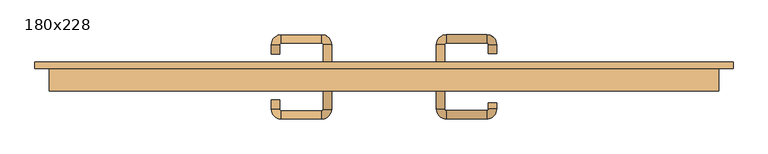
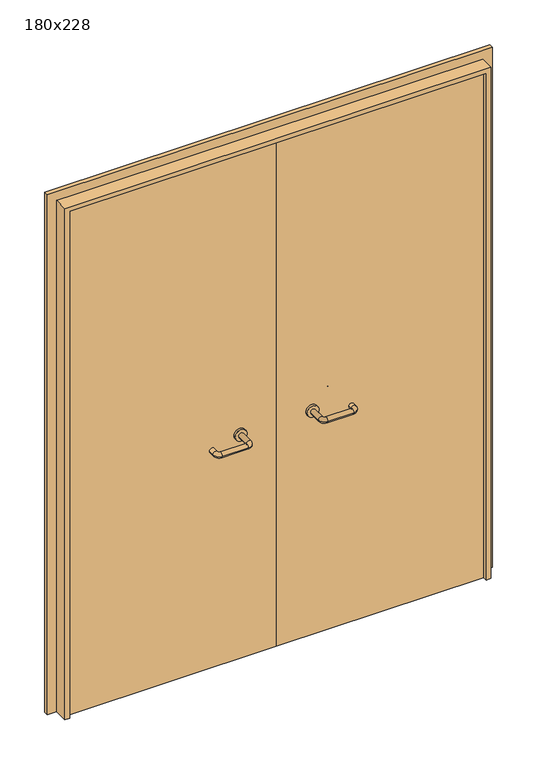
"""IFC4 building model written with IfcOpenShell, lengths in millimetres: door geometry, 180x228."""

from ifc_helpers import new_model, si_unit, point, frame, frame_2d, origin, place, context, project, spatial, polyline, circle_curve, ellipse_curve, trimmed, segment, composite_curve, outline, extrude, source, transform, mapped, element, save
from ifc_brep_helpers import plane_surface, cylinder_surface, revolved_surface, advanced_brep


def door_180x228_207c790b(model_context):
    return source(origin(), model_context, "Body", "SolidModel", [
        extrude(outline(polyline([(2319.0, 939.0), (2319.0, -939.0), (0.0, -939.0), (0.0, -895.0), (2275.0, -895.0), (2275.0, 895.0), (0.0, 895.0), (0.0, 939.0), (2319.0, 939.0)])), frame((0.0, 140.0, 0.0), z_axis=(0.0, 1.0, 0.0), x_axis=(0.0, 0.0, 1.0)), (0.0, 0.0, 1.0), 18.0),
        extrude(outline(polyline([(2280.0, -900.0), (0.0, -900.0), (0.0, -880.0), (2260.0, -880.0), (2260.0, 880.0), (0.0, 880.0), (0.0, 900.0), (2280.0, 900.0), (2280.0, -900.0)])), frame((0.0, 80.0, 0.0), z_axis=(0.0, 1.0, 0.0), x_axis=(0.0, 0.0, 1.0)), (0.0, 0.0, 1.0), 60.0),
        advanced_brep(
        [(140.99898, 86.0, 1003.0), (162.99898, 86.0, 1003.0), (140.99898, 30.6474631, 1003.0), (162.99898, 30.6474631, 1003.0), (166.99898, 26.6474631, 1003.0), (166.99898, 4.6474631, 1003.0), (276.99898, 4.6474631, 1003.0), (276.99898, 26.6474631, 1003.0), (280.99898, 30.6474631, 1003.0), (302.99898, 30.6474631, 1003.0), (302.99898, 48.0, 1003.0), (280.99898, 48.0, 1003.0)],
        [
            (0, 1, circle_curve(frame((151.99898, 86.0, 1003.0), z_axis=(0.0, 1.0, 0.0), x_axis=(1.0, 0.0, 0.0)), 11.0)),
            (1, 0, circle_curve(frame((151.99898, 86.0, 1003.0), z_axis=(0.0, 1.0, 0.0), x_axis=(1.0, 0.0, 0.0)), 11.0)),
            (0, 2),
            (2, 3, circle_curve(frame((151.99898, 30.6474631, 1003.0), z_axis=(0.0, 1.0, 0.0), x_axis=(1.0, 0.0, 0.0)), 11.0)),
            (3, 1),
            (3, 2, circle_curve(frame((151.99898, 30.6474631, 1003.0), z_axis=(0.0, 1.0, 0.0), x_axis=(1.0, 0.0, 0.0)), 11.0)),
            (4, 3, circle_curve(frame((166.99898, 30.6474631, 1003.0), z_axis=(0.0, 0.0, -1.0), x_axis=(-1.0, 0.0, 0.0)), 4.0)),
            (2, 5, circle_curve(frame((166.99898, 30.6474631, 1003.0), z_axis=(0.0, 0.0, 1.0), x_axis=(-1.0, 0.0, 0.0)), 26.0)),
            (5, 4, circle_curve(frame((166.99898, 15.6474631, 1003.0), z_axis=(-1.0, 0.0, 0.0), x_axis=(0.0, 1.0, 0.0)), 11.0)),
            (4, 5, circle_curve(frame((166.99898, 15.6474631, 1003.0), z_axis=(-1.0, 0.0, 0.0), x_axis=(0.0, 1.0, 0.0)), 11.0)),
            (5, 6),
            (6, 7, circle_curve(frame((276.99898, 15.6474631, 1003.0), z_axis=(-1.0, 0.0, 0.0), x_axis=(0.0, 1.0, 0.0)), 11.0)),
            (7, 4),
            (7, 6, circle_curve(frame((276.99898, 15.6474631, 1003.0), z_axis=(-1.0, 0.0, 0.0), x_axis=(0.0, 1.0, 0.0)), 11.0)),
            (8, 7, circle_curve(frame((276.99898, 30.6474631, 1003.0), z_axis=(0.0, 0.0, -1.0), x_axis=(0.0, -1.0, 0.0)), 4.0)),
            (6, 9, circle_curve(frame((276.99898, 30.6474631, 1003.0), z_axis=(0.0, 0.0, 1.0), x_axis=(0.0, -1.0, 0.0)), 26.0)),
            (9, 8, circle_curve(frame((291.99898, 30.6474631, 1003.0), z_axis=(0.0, -1.0, 0.0), x_axis=(-1.0, 0.0, 0.0)), 11.0)),
            (8, 9, circle_curve(frame((291.99898, 30.6474631, 1003.0), z_axis=(0.0, -1.0, 0.0), x_axis=(-1.0, 0.0, 0.0)), 11.0)),
            (10, 11, circle_curve(frame((291.99898, 48.0, 1003.0), z_axis=(0.0, 1.0, 0.0), x_axis=(-1.0, 0.0, 0.0)), 11.0)),
            (11, 10, circle_curve(frame((291.99898, 48.0, 1003.0), z_axis=(0.0, 1.0, 0.0), x_axis=(-1.0, 0.0, 0.0)), 11.0)),
            (9, 10),
            (11, 8),
        ],
        [
            plane_surface(frame((140.99898, 86.0, 1003.0), z_axis=(0.0, 1.0, 0.0), x_axis=(0.0, 0.0, -1.0))),
            cylinder_surface(frame((151.99898, 86.0, 1003.0), z_axis=(0.0, 1.0, 0.0), x_axis=(1.0, 0.0, 0.0)), 11.0),
            revolved_surface(trimmed(ellipse_curve(frame((151.99898, 30.6474631, 1003.0), z_axis=(0.0, 1.0, 0.0), x_axis=(1.0, 0.0, 0.0)), 11.0, 11.0), [point((140.99898, 30.6474631, 1003.0))], [point((162.99898, 30.6474631, 1003.0))], True, "CARTESIAN"), (166.99898, 30.6474631, 1003.0), (0.0, 0.0, 1.0)),
            revolved_surface(trimmed(ellipse_curve(frame((151.99898, 30.6474631, 1003.0), z_axis=(0.0, 1.0, 0.0), x_axis=(1.0, 0.0, 0.0)), 11.0, 11.0), [point((162.99898, 30.6474631, 1003.0))], [point((140.99898, 30.6474631, 1003.0))], True, "CARTESIAN"), (166.99898, 30.6474631, 1003.0), (0.0, 0.0, 1.0)),
            cylinder_surface(frame((166.99898, 15.6474631, 1003.0), z_axis=(-1.0, 0.0, 0.0), x_axis=(0.0, 1.0, 0.0)), 11.0),
            revolved_surface(trimmed(ellipse_curve(frame((276.99898, 15.6474631, 1003.0), z_axis=(-1.0, 0.0, 0.0), x_axis=(0.0, 1.0, 0.0)), 11.0, 11.0), [point((276.99898, 4.6474631, 1003.0))], [point((276.99898, 26.6474631, 1003.0))], True, "CARTESIAN"), (276.99898, 30.6474631, 1003.0), (0.0, 0.0, 1.0)),
            revolved_surface(trimmed(ellipse_curve(frame((276.99898, 15.6474631, 1003.0), z_axis=(-1.0, 0.0, 0.0), x_axis=(0.0, 1.0, 0.0)), 11.0, 11.0), [point((276.99898, 26.6474631, 1003.0))], [point((276.99898, 4.6474631, 1003.0))], True, "CARTESIAN"), (276.99898, 30.6474631, 1003.0), (0.0, 0.0, 1.0)),
            plane_surface(frame((280.99898, 48.0, 1003.0), z_axis=(0.0, 1.0, 0.0), x_axis=(0.0, 0.0, 1.0))),
            cylinder_surface(frame((291.99898, 30.6474631, 1003.0), z_axis=(0.0, -1.0, 0.0), x_axis=(-1.0, 0.0, 0.0)), 11.0),
        ],
        [
            (0, [[1, 2]]),
            (1, [[-1, 3, 4, 5]]),
            (1, [[-2, -5, 6, -3]]),
            (2, [[7, -4, 8, 9]]),
            (3, [[-8, -6, -7, 10]]),
            (4, [[-9, 11, 12, 13]]),
            (4, [[-10, -13, 14, -11]]),
            (5, [[15, -12, 16, 17]]),
            (6, [[-16, -14, -15, 18]]),
            (7, [[19, 20]]),
            (8, [[-17, 21, -20, 22]]),
            (8, [[-18, -22, -19, -21]]),
        ],
    ),
        extrude(outline(composite_curve([segment(trimmed(circle_curve(frame_2d((1003.0, 151.99898)), 25.0), [point((1003.0, 126.99898))], [point((1003.0, 176.99898))], False, "CARTESIAN"), True, "CONTINUOUS"), segment(trimmed(circle_curve(frame_2d((1003.0, 151.99898)), 25.0), [point((1003.0, 176.99898))], [point((1003.0, 126.99898))], False, "CARTESIAN"), True, "CONTINUOUS")], self_intersect=False)), frame((0.0, 86.0, 0.0), z_axis=(0.0, 1.0, 0.0), x_axis=(0.0, 0.0, 1.0)), (0.0, 0.0, 1.0), 10.0),
        advanced_brep(
        [(162.99898, 150.0, 1003.0), (140.99898, 150.0, 1003.0), (162.99898, 205.0, 1003.0), (140.99898, 205.0, 1003.0), (166.99898, 231.0, 1003.0), (166.99898, 209.0, 1003.0), (276.99898, 209.0, 1003.0), (276.99898, 231.0, 1003.0), (302.99898, 205.0, 1003.0), (280.99898, 205.0, 1003.0), (280.99898, 180.0, 1003.0), (302.99898, 180.0, 1003.0)],
        [
            (0, 1, circle_curve(frame((151.99898, 150.0, 1003.0), z_axis=(0.0, -1.0, 0.0), x_axis=(-1.0, 0.0, 0.0)), 11.0)),
            (1, 0, circle_curve(frame((151.99898, 150.0, 1003.0), z_axis=(0.0, -1.0, 0.0), x_axis=(-1.0, 0.0, 0.0)), 11.0)),
            (0, 2),
            (2, 3, circle_curve(frame((151.99898, 205.0, 1003.0), z_axis=(0.0, -1.0, 0.0), x_axis=(-1.0, 0.0, 0.0)), 11.0)),
            (3, 1),
            (3, 2, circle_curve(frame((151.99898, 205.0, 1003.0), z_axis=(0.0, -1.0, 0.0), x_axis=(-1.0, 0.0, 0.0)), 11.0)),
            (4, 3, circle_curve(frame((166.99898, 205.0, 1003.0), z_axis=(0.0, 0.0, 1.0), x_axis=(-1.0, 0.0, 0.0)), 26.0)),
            (2, 5, circle_curve(frame((166.99898, 205.0, 1003.0), z_axis=(0.0, 0.0, -1.0), x_axis=(-1.0, 0.0, 0.0)), 4.0)),
            (5, 4, circle_curve(frame((166.99898, 220.0, 1003.0), z_axis=(-1.0, 0.0, 0.0), x_axis=(0.0, 1.0, 0.0)), 11.0)),
            (4, 5, circle_curve(frame((166.99898, 220.0, 1003.0), z_axis=(-1.0, 0.0, 0.0), x_axis=(0.0, 1.0, 0.0)), 11.0)),
            (5, 6),
            (6, 7, circle_curve(frame((276.99898, 220.0, 1003.0), z_axis=(-1.0, 0.0, 0.0), x_axis=(0.0, 1.0, 0.0)), 11.0)),
            (7, 4),
            (7, 6, circle_curve(frame((276.99898, 220.0, 1003.0), z_axis=(-1.0, 0.0, 0.0), x_axis=(0.0, 1.0, 0.0)), 11.0)),
            (8, 7, circle_curve(frame((276.99898, 205.0, 1003.0), z_axis=(0.0, 0.0, 1.0), x_axis=(0.0, 1.0, 0.0)), 26.0)),
            (6, 9, circle_curve(frame((276.99898, 205.0, 1003.0), z_axis=(0.0, 0.0, -1.0), x_axis=(0.0, 1.0, 0.0)), 4.0)),
            (9, 8, circle_curve(frame((291.99898, 205.0, 1003.0), z_axis=(0.0, 1.0, 0.0), x_axis=(1.0, 0.0, 0.0)), 11.0)),
            (8, 9, circle_curve(frame((291.99898, 205.0, 1003.0), z_axis=(0.0, 1.0, 0.0), x_axis=(1.0, 0.0, 0.0)), 11.0)),
            (10, 11, circle_curve(frame((291.99898, 180.0, 1003.0), z_axis=(0.0, -1.0, 0.0), x_axis=(1.0, 0.0, 0.0)), 11.0)),
            (11, 10, circle_curve(frame((291.99898, 180.0, 1003.0), z_axis=(0.0, -1.0, 0.0), x_axis=(1.0, 0.0, 0.0)), 11.0)),
            (9, 10),
            (11, 8),
        ],
        [
            plane_surface(frame((140.99898, 150.0, 1003.0), z_axis=(0.0, -1.0, 0.0), x_axis=(0.0, 0.0, 1.0))),
            cylinder_surface(frame((151.99898, 150.0, 1003.0), z_axis=(0.0, -1.0, 0.0), x_axis=(-1.0, 0.0, 0.0)), 11.0),
            revolved_surface(trimmed(ellipse_curve(frame((151.99898, 205.0, 1003.0), z_axis=(0.0, -1.0, 0.0), x_axis=(-1.0, 0.0, 0.0)), 11.0, 11.0), [point((162.99898, 205.0, 1003.0))], [point((140.99898, 205.0, 1003.0))], True, "CARTESIAN"), (166.99898, 205.0, 1003.0), (0.0, 0.0, -1.0)),
            revolved_surface(trimmed(ellipse_curve(frame((151.99898, 205.0, 1003.0), z_axis=(0.0, -1.0, 0.0), x_axis=(-1.0, 0.0, 0.0)), 11.0, 11.0), [point((140.99898, 205.0, 1003.0))], [point((162.99898, 205.0, 1003.0))], True, "CARTESIAN"), (166.99898, 205.0, 1003.0), (0.0, 0.0, -1.0)),
            cylinder_surface(frame((166.99898, 220.0, 1003.0), z_axis=(-1.0, 0.0, 0.0), x_axis=(0.0, 1.0, 0.0)), 11.0),
            revolved_surface(trimmed(ellipse_curve(frame((276.99898, 220.0, 1003.0), z_axis=(-1.0, 0.0, 0.0), x_axis=(0.0, 1.0, 0.0)), 11.0, 11.0), [point((276.99898, 209.0, 1003.0))], [point((276.99898, 231.0, 1003.0))], True, "CARTESIAN"), (276.99898, 205.0, 1003.0), (0.0, 0.0, -1.0)),
            revolved_surface(trimmed(ellipse_curve(frame((276.99898, 220.0, 1003.0), z_axis=(-1.0, 0.0, 0.0), x_axis=(0.0, 1.0, 0.0)), 11.0, 11.0), [point((276.99898, 231.0, 1003.0))], [point((276.99898, 209.0, 1003.0))], True, "CARTESIAN"), (276.99898, 205.0, 1003.0), (0.0, 0.0, -1.0)),
            plane_surface(frame((280.99898, 180.0, 1003.0), z_axis=(0.0, -1.0, 0.0), x_axis=(0.0, 0.0, -1.0))),
            cylinder_surface(frame((291.99898, 205.0, 1003.0), z_axis=(0.0, 1.0, 0.0), x_axis=(1.0, 0.0, 0.0)), 11.0),
        ],
        [
            (0, [[1, 2]]),
            (1, [[-1, 3, 4, 5]]),
            (1, [[-2, -5, 6, -3]]),
            (2, [[7, -4, 8, 9]]),
            (3, [[-8, -6, -7, 10]]),
            (4, [[-9, 11, 12, 13]]),
            (4, [[-10, -13, 14, -11]]),
            (5, [[15, -12, 16, 17]]),
            (6, [[-16, -14, -15, 18]]),
            (7, [[19, 20]]),
            (8, [[-17, 21, -20, 22]]),
            (8, [[-18, -22, -19, -21]]),
        ],
    ),
        extrude(outline(composite_curve([segment(trimmed(circle_curve(frame_2d((1003.0, 151.99898)), 25.0), [point((1003.0, 176.99898))], [point((1003.0, 126.99898))], False, "CARTESIAN"), True, "CONTINUOUS"), segment(trimmed(circle_curve(frame_2d((1003.0, 151.99898)), 25.0), [point((1003.0, 126.99898))], [point((1003.0, 176.99898))], False, "CARTESIAN"), True, "CONTINUOUS")], self_intersect=False)), frame((0.0, 140.0, 0.0), z_axis=(0.0, 1.0, 0.0), x_axis=(0.0, 0.0, 1.0)), (0.0, 0.0, 1.0), 10.0),
        advanced_brep(
        [(-162.99898, 85.6886121, 1003.0), (-140.99898, 85.6886121, 1003.0), (-162.99898, 30.2779553, 1003.0), (-140.99898, 30.2779553, 1003.0), (-166.99898, 4.2779553, 1003.0), (-166.99898, 26.2779553, 1003.0), (-276.99898, 26.2779553, 1003.0), (-276.99898, 4.2779553, 1003.0), (-302.99898, 30.2779553, 1003.0), (-280.99898, 30.2779553, 1003.0), (-280.99898, 55.2779553, 1003.0), (-302.99898, 55.2779553, 1003.0)],
        [
            (0, 1, circle_curve(frame((-151.99898, 85.6886121, 1003.0), z_axis=(0.0, 1.0, 0.0), x_axis=(1.0, 0.0, 0.0)), 11.0)),
            (1, 0, circle_curve(frame((-151.99898, 85.6886121, 1003.0), z_axis=(0.0, 1.0, 0.0), x_axis=(1.0, 0.0, 0.0)), 11.0)),
            (0, 2),
            (2, 3, circle_curve(frame((-151.99898, 30.2779553, 1003.0), z_axis=(0.0, 1.0, 0.0), x_axis=(1.0, 0.0, 0.0)), 11.0)),
            (3, 1),
            (3, 2, circle_curve(frame((-151.99898, 30.2779553, 1003.0), z_axis=(0.0, 1.0, 0.0), x_axis=(1.0, 0.0, 0.0)), 11.0)),
            (4, 3, circle_curve(frame((-166.99898, 30.2779553, 1003.0), z_axis=(0.0, 0.0, 1.0), x_axis=(1.0, 0.0, 0.0)), 26.0)),
            (2, 5, circle_curve(frame((-166.99898, 30.2779553, 1003.0), z_axis=(0.0, 0.0, -1.0), x_axis=(1.0, 0.0, 0.0)), 4.0)),
            (5, 4, circle_curve(frame((-166.99898, 15.2779553, 1003.0), z_axis=(1.0, 0.0, 0.0), x_axis=(0.0, -1.0, 0.0)), 11.0)),
            (4, 5, circle_curve(frame((-166.99898, 15.2779553, 1003.0), z_axis=(1.0, 0.0, 0.0), x_axis=(0.0, -1.0, 0.0)), 11.0)),
            (5, 6),
            (6, 7, circle_curve(frame((-276.99898, 15.2779553, 1003.0), z_axis=(1.0, 0.0, 0.0), x_axis=(0.0, -1.0, 0.0)), 11.0)),
            (7, 4),
            (7, 6, circle_curve(frame((-276.99898, 15.2779553, 1003.0), z_axis=(1.0, 0.0, 0.0), x_axis=(0.0, -1.0, 0.0)), 11.0)),
            (8, 7, circle_curve(frame((-276.99898, 30.2779553, 1003.0), z_axis=(0.0, 0.0, 1.0), x_axis=(0.0, -1.0, 0.0)), 26.0)),
            (6, 9, circle_curve(frame((-276.99898, 30.2779553, 1003.0), z_axis=(0.0, 0.0, -1.0), x_axis=(0.0, -1.0, 0.0)), 4.0)),
            (9, 8, circle_curve(frame((-291.99898, 30.2779553, 1003.0), z_axis=(0.0, -1.0, 0.0), x_axis=(-1.0, 0.0, 0.0)), 11.0)),
            (8, 9, circle_curve(frame((-291.99898, 30.2779553, 1003.0), z_axis=(0.0, -1.0, 0.0), x_axis=(-1.0, 0.0, 0.0)), 11.0)),
            (10, 11, circle_curve(frame((-291.99898, 55.2779553, 1003.0), z_axis=(0.0, 1.0, 0.0), x_axis=(-1.0, 0.0, 0.0)), 11.0)),
            (11, 10, circle_curve(frame((-291.99898, 55.2779553, 1003.0), z_axis=(0.0, 1.0, 0.0), x_axis=(-1.0, 0.0, 0.0)), 11.0)),
            (9, 10),
            (11, 8),
        ],
        [
            plane_surface(frame((-162.99898, 85.6886121, 1003.0), z_axis=(0.0, 1.0, 0.0), x_axis=(0.0, 0.0, -1.0))),
            cylinder_surface(frame((-151.99898, 85.6886121, 1003.0), z_axis=(0.0, 1.0, 0.0), x_axis=(1.0, 0.0, 0.0)), 11.0),
            revolved_surface(trimmed(ellipse_curve(frame((-151.99898, 30.2779553, 1003.0), z_axis=(0.0, 1.0, 0.0), x_axis=(1.0, 0.0, 0.0)), 11.0, 11.0), [point((-162.99898, 30.2779553, 1003.0))], [point((-140.99898, 30.2779553, 1003.0))], True, "CARTESIAN"), (-166.99898, 30.2779553, 1003.0), (0.0, 0.0, -1.0)),
            revolved_surface(trimmed(ellipse_curve(frame((-151.99898, 30.2779553, 1003.0), z_axis=(0.0, 1.0, 0.0), x_axis=(1.0, 0.0, 0.0)), 11.0, 11.0), [point((-140.99898, 30.2779553, 1003.0))], [point((-162.99898, 30.2779553, 1003.0))], True, "CARTESIAN"), (-166.99898, 30.2779553, 1003.0), (0.0, 0.0, -1.0)),
            cylinder_surface(frame((-166.99898, 15.2779553, 1003.0), z_axis=(1.0, 0.0, 0.0), x_axis=(0.0, -1.0, 0.0)), 11.0),
            revolved_surface(trimmed(ellipse_curve(frame((-276.99898, 15.2779553, 1003.0), z_axis=(1.0, 0.0, 0.0), x_axis=(0.0, -1.0, 0.0)), 11.0, 11.0), [point((-276.99898, 26.2779553, 1003.0))], [point((-276.99898, 4.2779553, 1003.0))], True, "CARTESIAN"), (-276.99898, 30.2779553, 1003.0), (0.0, 0.0, -1.0)),
            revolved_surface(trimmed(ellipse_curve(frame((-276.99898, 15.2779553, 1003.0), z_axis=(1.0, 0.0, 0.0), x_axis=(0.0, -1.0, 0.0)), 11.0, 11.0), [point((-276.99898, 4.2779553, 1003.0))], [point((-276.99898, 26.2779553, 1003.0))], True, "CARTESIAN"), (-276.99898, 30.2779553, 1003.0), (0.0, 0.0, -1.0)),
            plane_surface(frame((-302.99898, 55.2779553, 1003.0), z_axis=(0.0, 1.0, 0.0), x_axis=(0.0, 0.0, 1.0))),
            cylinder_surface(frame((-291.99898, 30.2779553, 1003.0), z_axis=(0.0, -1.0, 0.0), x_axis=(-1.0, 0.0, 0.0)), 11.0),
        ],
        [
            (0, [[1, 2]]),
            (1, [[-1, 3, 4, 5]]),
            (1, [[-2, -5, 6, -3]]),
            (2, [[7, -4, 8, 9]]),
            (3, [[-8, -6, -7, 10]]),
            (4, [[-9, 11, 12, 13]]),
            (4, [[-10, -13, 14, -11]]),
            (5, [[15, -12, 16, 17]]),
            (6, [[-16, -14, -15, 18]]),
            (7, [[19, 20]]),
            (8, [[-17, 21, -20, 22]]),
            (8, [[-18, -22, -19, -21]]),
        ],
    ),
        extrude(outline(composite_curve([segment(trimmed(circle_curve(frame_2d((1003.0, -151.99898)), 25.0), [point((1003.0, -176.99898))], [point((1003.0, -126.99898))], False, "CARTESIAN"), True, "CONTINUOUS"), segment(trimmed(circle_curve(frame_2d((1003.0, -151.99898)), 25.0), [point((1003.0, -126.99898))], [point((1003.0, -176.99898))], False, "CARTESIAN"), True, "CONTINUOUS")], self_intersect=False)), frame((0.0, 85.6886121, 0.0), z_axis=(0.0, 1.0, 0.0), x_axis=(0.0, 0.0, 1.0)), (0.0, 0.0, 1.0), 10.3113879),
        advanced_brep(
        [(-140.99898, 149.5143417, 1003.0), (-162.99898, 149.5143417, 1003.0), (-140.99898, 204.6104656, 1003.0), (-162.99898, 204.6104656, 1003.0), (-166.99898, 208.6104656, 1003.0), (-166.99898, 230.6104656, 1003.0), (-276.99898, 230.6104656, 1003.0), (-276.99898, 208.6104656, 1003.0), (-280.99898, 204.6104656, 1003.0), (-302.99898, 204.6104656, 1003.0), (-302.99898, 179.6104656, 1003.0), (-280.99898, 179.6104656, 1003.0)],
        [
            (0, 1, circle_curve(frame((-151.99898, 149.5143417, 1003.0), z_axis=(0.0, -1.0, 0.0), x_axis=(-1.0, 0.0, 0.0)), 11.0)),
            (1, 0, circle_curve(frame((-151.99898, 149.5143417, 1003.0), z_axis=(0.0, -1.0, 0.0), x_axis=(-1.0, 0.0, 0.0)), 11.0)),
            (0, 2),
            (2, 3, circle_curve(frame((-151.99898, 204.6104656, 1003.0), z_axis=(0.0, -1.0, 0.0), x_axis=(-1.0, 0.0, 0.0)), 11.0)),
            (3, 1),
            (3, 2, circle_curve(frame((-151.99898, 204.6104656, 1003.0), z_axis=(0.0, -1.0, 0.0), x_axis=(-1.0, 0.0, 0.0)), 11.0)),
            (4, 3, circle_curve(frame((-166.99898, 204.6104656, 1003.0), z_axis=(0.0, 0.0, -1.0), x_axis=(1.0, 0.0, 0.0)), 4.0)),
            (2, 5, circle_curve(frame((-166.99898, 204.6104656, 1003.0), z_axis=(0.0, 0.0, 1.0), x_axis=(1.0, 0.0, 0.0)), 26.0)),
            (5, 4, circle_curve(frame((-166.99898, 219.6104656, 1003.0), z_axis=(1.0, 0.0, 0.0), x_axis=(0.0, -1.0, 0.0)), 11.0)),
            (4, 5, circle_curve(frame((-166.99898, 219.6104656, 1003.0), z_axis=(1.0, 0.0, 0.0), x_axis=(0.0, -1.0, 0.0)), 11.0)),
            (5, 6),
            (6, 7, circle_curve(frame((-276.99898, 219.6104656, 1003.0), z_axis=(1.0, 0.0, 0.0), x_axis=(0.0, -1.0, 0.0)), 11.0)),
            (7, 4),
            (7, 6, circle_curve(frame((-276.99898, 219.6104656, 1003.0), z_axis=(1.0, 0.0, 0.0), x_axis=(0.0, -1.0, 0.0)), 11.0)),
            (8, 7, circle_curve(frame((-276.99898, 204.6104656, 1003.0), z_axis=(0.0, 0.0, -1.0), x_axis=(0.0, 1.0, 0.0)), 4.0)),
            (6, 9, circle_curve(frame((-276.99898, 204.6104656, 1003.0), z_axis=(0.0, 0.0, 1.0), x_axis=(0.0, 1.0, 0.0)), 26.0)),
            (9, 8, circle_curve(frame((-291.99898, 204.6104656, 1003.0), z_axis=(0.0, 1.0, 0.0), x_axis=(1.0, 0.0, 0.0)), 11.0)),
            (8, 9, circle_curve(frame((-291.99898, 204.6104656, 1003.0), z_axis=(0.0, 1.0, 0.0), x_axis=(1.0, 0.0, 0.0)), 11.0)),
            (10, 11, circle_curve(frame((-291.99898, 179.6104656, 1003.0), z_axis=(0.0, -1.0, 0.0), x_axis=(1.0, 0.0, 0.0)), 11.0)),
            (11, 10, circle_curve(frame((-291.99898, 179.6104656, 1003.0), z_axis=(0.0, -1.0, 0.0), x_axis=(1.0, 0.0, 0.0)), 11.0)),
            (9, 10),
            (11, 8),
        ],
        [
            plane_surface(frame((-162.99898, 149.5143417, 1003.0), z_axis=(0.0, -1.0, 0.0), x_axis=(0.0, 0.0, 1.0))),
            cylinder_surface(frame((-151.99898, 149.5143417, 1003.0), z_axis=(0.0, -1.0, 0.0), x_axis=(-1.0, 0.0, 0.0)), 11.0),
            revolved_surface(trimmed(ellipse_curve(frame((-151.99898, 204.6104656, 1003.0), z_axis=(0.0, -1.0, 0.0), x_axis=(-1.0, 0.0, 0.0)), 11.0, 11.0), [point((-140.99898, 204.6104656, 1003.0))], [point((-162.99898, 204.6104656, 1003.0))], True, "CARTESIAN"), (-166.99898, 204.6104656, 1003.0), (0.0, 0.0, 1.0)),
            revolved_surface(trimmed(ellipse_curve(frame((-151.99898, 204.6104656, 1003.0), z_axis=(0.0, -1.0, 0.0), x_axis=(-1.0, 0.0, 0.0)), 11.0, 11.0), [point((-162.99898, 204.6104656, 1003.0))], [point((-140.99898, 204.6104656, 1003.0))], True, "CARTESIAN"), (-166.99898, 204.6104656, 1003.0), (0.0, 0.0, 1.0)),
            cylinder_surface(frame((-166.99898, 219.6104656, 1003.0), z_axis=(1.0, 0.0, 0.0), x_axis=(0.0, -1.0, 0.0)), 11.0),
            revolved_surface(trimmed(ellipse_curve(frame((-276.99898, 219.6104656, 1003.0), z_axis=(1.0, 0.0, 0.0), x_axis=(0.0, -1.0, 0.0)), 11.0, 11.0), [point((-276.99898, 230.6104656, 1003.0))], [point((-276.99898, 208.6104656, 1003.0))], True, "CARTESIAN"), (-276.99898, 204.6104656, 1003.0), (0.0, 0.0, 1.0)),
            revolved_surface(trimmed(ellipse_curve(frame((-276.99898, 219.6104656, 1003.0), z_axis=(1.0, 0.0, 0.0), x_axis=(0.0, -1.0, 0.0)), 11.0, 11.0), [point((-276.99898, 208.6104656, 1003.0))], [point((-276.99898, 230.6104656, 1003.0))], True, "CARTESIAN"), (-276.99898, 204.6104656, 1003.0), (0.0, 0.0, 1.0)),
            plane_surface(frame((-302.99898, 179.6104656, 1003.0), z_axis=(0.0, -1.0, 0.0), x_axis=(0.0, 0.0, -1.0))),
            cylinder_surface(frame((-291.99898, 204.6104656, 1003.0), z_axis=(0.0, 1.0, 0.0), x_axis=(1.0, 0.0, 0.0)), 11.0),
        ],
        [
            (0, [[1, 2]]),
            (1, [[-1, 3, 4, 5]]),
            (1, [[-2, -5, 6, -3]]),
            (2, [[7, -4, 8, 9]]),
            (3, [[-8, -6, -7, 10]]),
            (4, [[-9, 11, 12, 13]]),
            (4, [[-10, -13, 14, -11]]),
            (5, [[15, -12, 16, 17]]),
            (6, [[-16, -14, -15, 18]]),
            (7, [[19, 20]]),
            (8, [[-17, 21, -20, 22]]),
            (8, [[-18, -22, -19, -21]]),
        ],
    ),
        extrude(outline(composite_curve([segment(trimmed(circle_curve(frame_2d((1003.0, -151.99898)), 25.0), [point((1003.0, -126.99898))], [point((1003.0, -176.99898))], False, "CARTESIAN"), True, "CONTINUOUS"), segment(trimmed(circle_curve(frame_2d((1003.0, -151.99898)), 25.0), [point((1003.0, -176.99898))], [point((1003.0, -126.99898))], False, "CARTESIAN"), True, "CONTINUOUS")], self_intersect=False)), frame((0.0, 140.0, 0.0), z_axis=(0.0, 1.0, 0.0), x_axis=(0.0, 0.0, 1.0)), (0.0, 0.0, 1.0), 9.5143417),
        extrude(outline(polyline([(1.0739506, 96.0), (-877.0, 96.0), (-877.0, 140.0), (1.0739506, 140.0), (1.0739506, 96.0)])), frame((0.0, 0.0, 1.753223), z_axis=(0.0, 0.0, 1.0), x_axis=(1.0, 0.0, 0.0)), (0.0, 0.0, 1.0), 2258.246777),
        extrude(outline(polyline([(877.0, 96.0), (1.0739506, 96.0), (1.0739506, 140.0), (877.0, 140.0), (877.0, 96.0)])), frame((0.0, 0.0, 1.753223), z_axis=(0.0, 0.0, 1.0), x_axis=(1.0, 0.0, 0.0)), (0.0, 0.0, 1.0), 2258.246777),
    ])


if __name__ == "__main__":
    model = new_model("IFC4")
    model_context = context("Model", 3, world=origin())
    ifc_project = project(units=[si_unit("LENGTHUNIT", "METRE", prefix="MILLI")], contexts=[model_context])
    site = spatial("IfcSite", under=ifc_project)
    building = spatial("IfcBuilding", under=site)
    placement = place(None, origin())
    door_180x228_shape = door_180x228_207c790b(model_context)
    element("IfcDoor", 1, ObjectType="180x228", at=placement, inside=building, context=model_context, shape_type="MappedRepresentation", body=[
        mapped(door_180x228_shape, transform((0.0, 0.0, 0.0), x_axis=(1.0, 0.0, 0.0), y_axis=(0.0, 1.0, 0.0), z_axis=(0.0, 0.0, 1.0))),
    ])
    save(model, "model.ifc")
